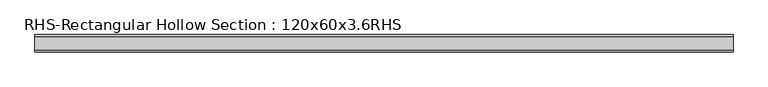
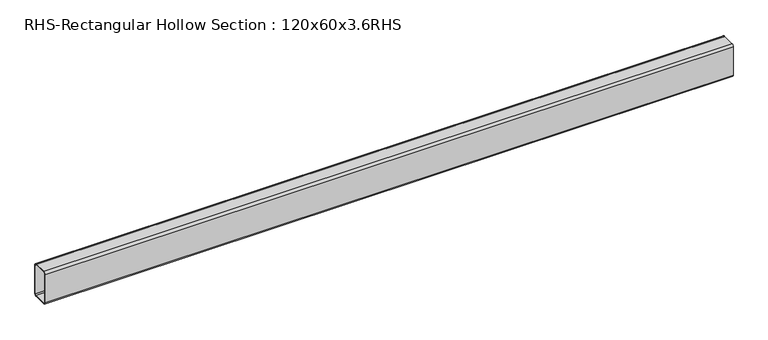
"""IFC4 building model written with IfcOpenShell, lengths in millimetres: beam geometry, RHS-Rectangular Hollow Section : 120x60x3.6RHS."""

from ifc_helpers import new_model, si_unit, point, frame, frame_2d, origin, place, context, project, spatial, polyline, circle_curve, trimmed, segment, composite_curve, outline, extrude, source, transform, mapped, element, save


def rhs_rectangular_hollow_section_120x60x3_6rhs_6e2e3350(model_context):
    return source(origin(), model_context, "Body", "SweptSolid", [
        extrude(outline(composite_curve([segment(polyline([(30.0, 52.8), (30.0, -52.8)]), True, "CONTINUOUS"), segment(trimmed(circle_curve(frame_2d((22.8, -52.8)), 7.2), [point((30.0, -52.8))], [point((22.8, -60.0))], False, "CARTESIAN"), True, "CONTINUOUS"), segment(polyline([(22.8, -60.0), (-22.8, -60.0)]), True, "CONTINUOUS"), segment(trimmed(circle_curve(frame_2d((-22.8, -52.8)), 7.2), [point((-22.8, -60.0))], [point((-30.0, -52.8))], False, "CARTESIAN"), True, "CONTINUOUS"), segment(polyline([(-30.0, -52.8), (-30.0, 52.8)]), True, "CONTINUOUS"), segment(trimmed(circle_curve(frame_2d((-22.8, 52.8)), 7.2), [point((-30.0, 52.8))], [point((-22.8, 60.0))], False, "CARTESIAN"), True, "CONTINUOUS"), segment(polyline([(-22.8, 60.0), (22.8, 60.0)]), True, "CONTINUOUS"), segment(trimmed(circle_curve(frame_2d((22.8, 52.8)), 7.2), [point((22.8, 60.0))], [point((30.0, 52.8))], False, "CARTESIAN"), True, "CONTINUOUS")], self_intersect=False), holes=[composite_curve([segment(trimmed(circle_curve(frame_2d((-22.8, 52.8)), 3.6), [point((-22.8, 56.4))], [point((-26.4, 52.8))], True, "CARTESIAN"), True, "CONTINUOUS"), segment(polyline([(-26.4, 52.8), (-26.4, -52.8)]), True, "CONTINUOUS"), segment(trimmed(circle_curve(frame_2d((-22.8, -52.8)), 3.6), [point((-26.4, -52.8))], [point((-22.8, -56.4))], True, "CARTESIAN"), True, "CONTINUOUS"), segment(polyline([(-22.8, -56.4), (22.8, -56.4)]), True, "CONTINUOUS"), segment(trimmed(circle_curve(frame_2d((22.8, -52.8)), 3.6), [point((22.8, -56.4))], [point((26.4, -52.8))], True, "CARTESIAN"), True, "CONTINUOUS"), segment(polyline([(26.4, -52.8), (26.4, 52.8)]), True, "CONTINUOUS"), segment(trimmed(circle_curve(frame_2d((22.8, 52.8)), 3.6), [point((26.4, 52.8))], [point((22.8, 56.4))], True, "CARTESIAN"), True, "CONTINUOUS"), segment(polyline([(22.8, 56.4), (-22.8, 56.4)]), True, "CONTINUOUS")], self_intersect=False)]), frame((-1346.8044238, 0.0, 0.0), z_axis=(1.0, 0.0, 0.0), x_axis=(0.0, 1.0, 0.0)), (0.0, 0.0, 1.0), 2422.7287727),
    ])


if __name__ == "__main__":
    model = new_model("IFC4")
    model_context = context("Model", 3, world=origin())
    ifc_project = project(units=[si_unit("LENGTHUNIT", "METRE", prefix="MILLI")], contexts=[model_context])
    site = spatial("IfcSite", under=ifc_project)
    building = spatial("IfcBuilding", under=site)
    placement = place(None, origin())
    rhs_rectangular_hollow_section_120x60x3_6rhs_shape = rhs_rectangular_hollow_section_120x60x3_6rhs_6e2e3350(model_context)
    element("IfcBeam", 1, ObjectType="RHS-Rectangular Hollow Section : 120x60x3.6RHS", at=placement, inside=building, context=model_context, shape_type="MappedRepresentation", body=[
        mapped(rhs_rectangular_hollow_section_120x60x3_6rhs_shape, transform((0.0, 0.0, 0.0), x_axis=(1.0, 0.0, 0.0), y_axis=(0.0, 1.0, 0.0), z_axis=(0.0, 0.0, 1.0))),
    ])
    save(model, "model.ifc")
